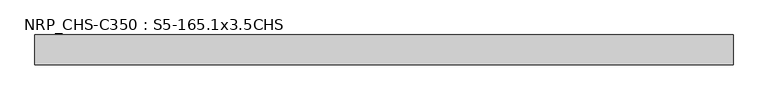
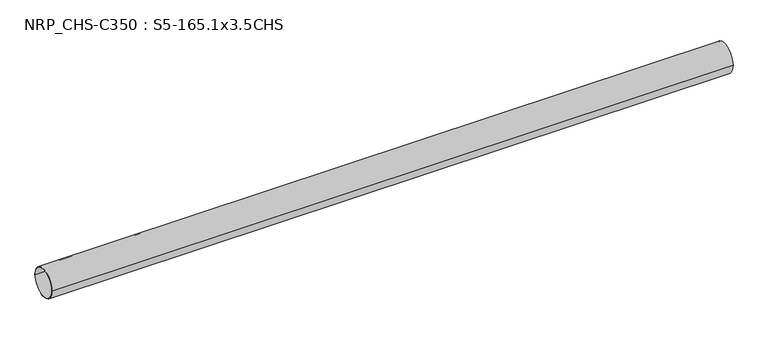
"""IFC4 building model written with IfcOpenShell, lengths in millimetres: beam geometry, NRP_CHS-C350 : S5-165.1x3.5CHS."""

import ifcopenshell
import ifcopenshell.guid

model = None  # the IFC model being written
_history = None  # IfcOwnerHistory: only IFC2X3 demands one
_inside = {}  # id of a spatial element -> (the spatial element, [elements in it])
_under = {}  # id of a project, library or spatial element -> (it, [spatial elements below it])
_declared = {}  # id of a project -> (the project, [libraries it declares])
_typed = {}  # id of a type object -> (the type object, [elements of that type])
_made_of = {}  # id of a material, layer set ... -> (it, [elements and type objects made of it])


def new_model(schema):
    """Start an empty IFC model of exactly this schema.

    Asked for "IFC4X3", IfcOpenShell would pick the latest addendum, in which some entities
    have other attributes; the version numbers below select the first issue.
    IFC2X3 requires an IfcOwnerHistory on every rooted entity: one is made here for all.
    """
    global model, _history
    if schema == "IFC4X3":
        model = ifcopenshell.file(schema_version=(4, 3, 0, 0))
    else:
        model = ifcopenshell.file(schema=schema)
    _inside.clear()
    _under.clear()
    _declared.clear()
    _typed.clear()
    _made_of.clear()
    _history = None
    if model.schema == "IFC2X3":
        org = make("IfcOrganization", Name="unknown")
        user = make(
            "IfcPersonAndOrganization",
            ThePerson=make("IfcPerson", FamilyName="unknown"),
            TheOrganization=org,
        )
        app = make(
            "IfcApplication",
            ApplicationDeveloper=org,
            Version="unknown",
            ApplicationFullName="unknown",
            ApplicationIdentifier="unknown",
        )
        _history = make(
            "IfcOwnerHistory",
            OwningUser=user,
            OwningApplication=app,
            ChangeAction="ADDED",
            CreationDate=0,
        )
    return model


def make(cls, **values):
    """One entity of the class cls with the attributes given. An attribute that is None is left unset."""
    return model.create_entity(
        cls, **{name: value for name, value in values.items() if value is not None}
    )


def rooted(cls, **values):
    """An entity with a GlobalId (a new one), such as an element, a storey or a relation."""
    return make(cls, GlobalId=ifcopenshell.guid.new(), OwnerHistory=_history, **values)


def si_unit(unit_type, name, prefix=None):
    """IfcSIUnit, for example si_unit("LENGTHUNIT", "METRE", prefix="MILLI")."""
    return make("IfcSIUnit", UnitType=unit_type, Prefix=prefix, Name=name)


def assignment(units):
    """IfcUnitAssignment: the units of a project."""
    return None if units is None else make("IfcUnitAssignment", Units=units)


def point(xyz):
    """IfcCartesianPoint."""
    return None if xyz is None else make("IfcCartesianPoint", Coordinates=xyz)


def direction(xyz):
    """IfcDirection."""
    return None if xyz is None else make("IfcDirection", DirectionRatios=xyz)


def frame(location, z_axis=None, x_axis=None):
    """IfcAxis2Placement3D, a coordinate frame: its origin and axes. An axis left out is left unset."""
    return make(
        "IfcAxis2Placement3D",
        Location=point(location),
        Axis=direction(z_axis),
        RefDirection=direction(x_axis),
    )


def frame_2d(location, x_axis=None):
    """IfcAxis2Placement2D, a coordinate frame in the plane: its origin and x axis."""
    return make(
        "IfcAxis2Placement2D", Location=point(location), RefDirection=direction(x_axis)
    )


def origin():
    """The frame at (0, 0, 0) with its axes left unset."""
    return frame((0.0, 0.0, 0.0))


def origin_2d():
    """The frame at (0, 0) in the plane with its x axis left unset."""
    return frame_2d((0.0, 0.0))


def place(relative_to, where):
    """IfcLocalPlacement: puts the frame where relative to a parent placement (None: the world)."""
    return make(
        "IfcLocalPlacement", PlacementRelTo=relative_to, RelativePlacement=where
    )


def context(
    kind, dimensions, precision=None, world=None, true_north=None, identifier=None
):
    """IfcGeometricRepresentationContext, for example the 3D "Model" context."""
    return make(
        "IfcGeometricRepresentationContext",
        ContextIdentifier=identifier,
        ContextType=kind,
        CoordinateSpaceDimension=dimensions,
        Precision=precision,
        WorldCoordinateSystem=world,
        TrueNorth=true_north,
    )


def project(units=None, contexts=None):
    """IfcProject with its units and contexts."""
    return rooted(
        "IfcProject",
        Name="project",
        RepresentationContexts=contexts,
        UnitsInContext=assignment(units),
    )


def spatial(cls, under=None, at=None, **own):
    """A site, building, storey or space (cls), placed at a placement, below another one or the project."""
    s = rooted(cls, ObjectPlacement=at, **own)
    if under is not None:
        _under.setdefault(under.id(), (under, []))[1].append(s)
    return s


def circle_curve(where, radius):
    """IfcCircle in the frame where."""
    return make("IfcCircle", Position=where, Radius=radius)


def trimmed(basis, trim1, trim2, sense, master):
    """IfcTrimmedCurve: the piece of a basis curve between two trims."""
    return make(
        "IfcTrimmedCurve",
        BasisCurve=basis,
        Trim1=trim1,
        Trim2=trim2,
        SenseAgreement=sense,
        MasterRepresentation=master,
    )


def segment(curve, same_sense, transition):
    """IfcCompositeCurveSegment."""
    return make(
        "IfcCompositeCurveSegment",
        Transition=transition,
        SameSense=same_sense,
        ParentCurve=curve,
    )


def composite_curve(segments, self_intersect=None):
    """IfcCompositeCurve: segments joined end to end."""
    return make("IfcCompositeCurve", Segments=segments, SelfIntersect=self_intersect)


def outline(outer, holes=None, kind="AREA"):
    """IfcArbitraryClosedProfileDef: a profile drawn as a closed curve; with holes, ...WithVoids."""
    if holes is None:
        return make("IfcArbitraryClosedProfileDef", ProfileType=kind, OuterCurve=outer)
    return make(
        "IfcArbitraryProfileDefWithVoids",
        ProfileType=kind,
        OuterCurve=outer,
        InnerCurves=holes,
    )


def extrude(swept, where, along, depth):
    """IfcExtrudedAreaSolid: the profile swept, set in the frame where, extruded along a direction by depth."""
    return make(
        "IfcExtrudedAreaSolid",
        SweptArea=swept,
        Position=where,
        ExtrudedDirection=direction(along),
        Depth=depth,
    )


def shape(context_of_items, identifier, shape_type, items):
    """IfcShapeRepresentation: the items that make up one representation, for example the "Body"."""
    return make(
        "IfcShapeRepresentation",
        ContextOfItems=context_of_items,
        RepresentationIdentifier=identifier,
        RepresentationType=shape_type,
        Items=items,
    )


def source(mapping_origin, context_of_items, identifier, shape_type, items):
    """IfcRepresentationMap: a shape defined once, which mapped items show again and again."""
    return make(
        "IfcRepresentationMap",
        MappingOrigin=mapping_origin,
        MappedRepresentation=shape(context_of_items, identifier, shape_type, items),
    )


def transform(
    local_origin,
    x_axis=None,
    y_axis=None,
    z_axis=None,
    scale=None,
    scale2=None,
    scale3=None,
    uniform=True,
):
    """IfcCartesianTransformationOperator3D, or its non-uniform kind. x_axis, y_axis, z_axis: its Axis1, 2, 3."""
    if uniform:
        return make(
            "IfcCartesianTransformationOperator3D",
            Axis1=direction(x_axis),
            Axis2=direction(y_axis),
            LocalOrigin=point(local_origin),
            Scale=scale,
            Axis3=direction(z_axis),
        )
    return make(
        "IfcCartesianTransformationOperator3DnonUniform",
        Axis1=direction(x_axis),
        Axis2=direction(y_axis),
        LocalOrigin=point(local_origin),
        Scale=scale,
        Axis3=direction(z_axis),
        Scale2=scale2,
        Scale3=scale3,
    )


def mapped(mapping_source, mapping_target):
    """IfcMappedItem: shows the shape of a source again, moved by a transform."""
    return make(
        "IfcMappedItem", MappingSource=mapping_source, MappingTarget=mapping_target
    )


def made_of(thing, what):
    """Note that an element or type object is made of a material, layer set ...; save() writes the relation."""
    if what is not None:
        _made_of.setdefault(what.id(), (what, []))[1].append(thing)
    return thing


def element(
    cls,
    number,
    at=None,
    inside=None,
    cuts=None,
    type_object=None,
    material=None,
    context=None,
    identifier="Body",
    shape_type=None,
    held_by="IfcProductDefinitionShape",
    body=None,
    shapes=None,
    **own,
):
    """One element of the class cls, such as IfcWall. Its Tag is "e" and its number.

    at: its placement. inside: the storey or other place that contains it. cuts: it is an
    opening in that element (IfcRelVoidsElement). A single representation is given by context,
    identifier, shape_type and body (its items); several are given by shapes. held_by: the class
    of the entity that holds the representations. save() writes the other relations.
    """
    e = rooted(cls, Tag="e%d" % number, ObjectPlacement=at, **own)
    if body is not None:
        shapes = [shape(context, identifier, shape_type, body)]
    if shapes is not None:
        e.Representation = make(held_by, Representations=shapes)
    if inside is not None:
        _inside.setdefault(inside.id(), (inside, []))[1].append(e)
    if cuts is not None:
        rooted(
            "IfcRelVoidsElement", RelatingBuildingElement=cuts, RelatedOpeningElement=e
        )
    if type_object is not None:
        _typed.setdefault(type_object.id(), (type_object, []))[1].append(e)
    return made_of(e, material)


def aggregate(whole, parts):
    """IfcRelAggregates: a whole, such as a stair, and the parts it consists of."""
    return rooted("IfcRelAggregates", RelatingObject=whole, RelatedObjects=parts)


def save(model, path):
    """Write the relations noted so far, then the file.

    IfcRelAggregates (storeys below a building ...), IfcRelContainedInSpatialStructure (elements
    in a storey), IfcRelDefinesByType, IfcRelAssociatesMaterial and IfcRelDeclares: one each for
    every whole, place, type object, material and project.
    """
    for whole, parts in _under.values():
        aggregate(whole, parts)
    for where, things in _inside.values():
        rooted(
            "IfcRelContainedInSpatialStructure",
            RelatedElements=things,
            RelatingStructure=where,
        )
    for kind, things in _typed.values():
        rooted("IfcRelDefinesByType", RelatedObjects=things, RelatingType=kind)
    for what, things in _made_of.values():
        rooted("IfcRelAssociatesMaterial", RelatedObjects=things, RelatingMaterial=what)
    for by, libraries in _declared.values():
        rooted("IfcRelDeclares", RelatingContext=by, RelatedDefinitions=libraries)
    model.write(path)


def nrp_chs_c350_s5_165_1x3_5chs_73e7a3ac(model_context):
    return source(origin(), model_context, "Body", "SweptSolid", [
        extrude(outline(composite_curve([segment(trimmed(circle_curve(origin_2d(), 82.55), [point((82.55, 0.0))], [point((-82.55, 0.0))], False, "CARTESIAN"), True, "CONTINUOUS"), segment(trimmed(circle_curve(origin_2d(), 82.55), [point((-82.55, 0.0))], [point((82.55, 0.0))], False, "CARTESIAN"), True, "CONTINUOUS")], self_intersect=False), holes=[composite_curve([segment(trimmed(circle_curve(origin_2d(), 79.05), [point((-79.05, 0.0))], [point((79.05, 0.0))], True, "CARTESIAN"), True, "CONTINUOUS"), segment(trimmed(circle_curve(origin_2d(), 79.05), [point((79.05, 0.0))], [point((-79.05, 0.0))], True, "CARTESIAN"), True, "CONTINUOUS")], self_intersect=False)]), frame((-1871.4, 0.0, 0.0), z_axis=(1.0, 0.0, 0.0), x_axis=(0.0, 1.0, 0.0)), (0.0, 0.0, 1.0), 3838.4),
    ])


if __name__ == "__main__":
    model = new_model("IFC4")
    model_context = context("Model", 3, world=origin())
    ifc_project = project(units=[si_unit("LENGTHUNIT", "METRE", prefix="MILLI")], contexts=[model_context])
    site = spatial("IfcSite", under=ifc_project)
    building = spatial("IfcBuilding", under=site)
    placement = place(None, origin())
    nrp_chs_c350_s5_165_1x3_5chs_shape = nrp_chs_c350_s5_165_1x3_5chs_73e7a3ac(model_context)
    element("IfcBeam", 1, ObjectType="NRP_CHS-C350 : S5-165.1x3.5CHS", at=placement, inside=building, context=model_context, shape_type="MappedRepresentation", body=[
        mapped(nrp_chs_c350_s5_165_1x3_5chs_shape, transform((0.0, 0.0, 0.0), x_axis=(1.0, 0.0, 0.0), y_axis=(0.0, 1.0, 0.0), z_axis=(0.0, 0.0, 1.0))),
    ])
    save(model, "model.ifc")
